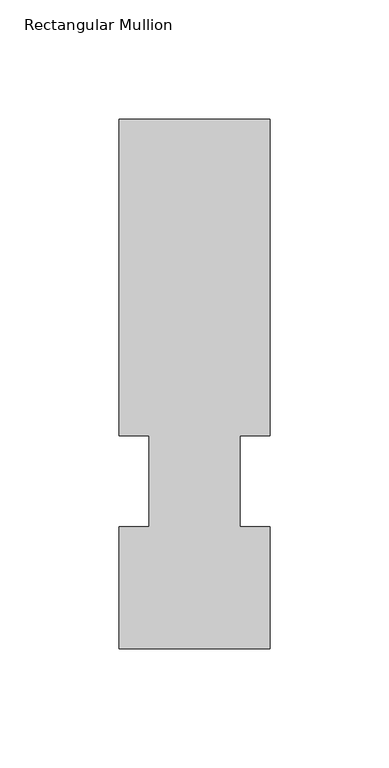
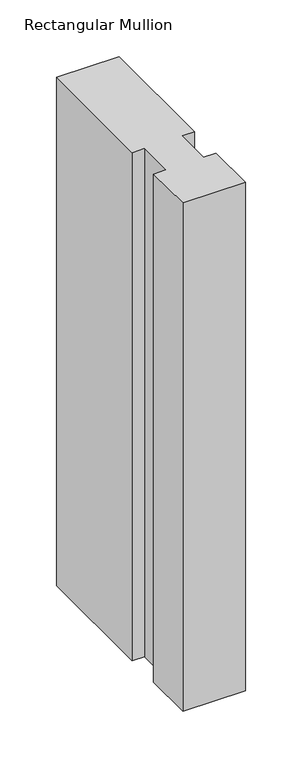
"""IFC4 building model written with IfcOpenShell, lengths in millimetres: member geometry, Rectangular Mullion."""

from ifc_helpers import new_model, si_unit, frame, origin, place, context, project, spatial, polyline, outline, extrude, source, transform, mapped, element, save


def rectangular_mullion_a45ee53f(model_context):
    return source(origin(), model_context, "Body", "SweptSolid", [
        extrude(outline(polyline([(-63.4999991, 222.5381308), (-1.2e-06, 222.5381308), (-1.2e-06, 89.594531), (-12.6873024, 89.594531), (-12.6873024, 51.4945308), (-3.3e-06, 51.4945308), (-3.3e-06, 0.211932), (-63.5000019, 0.211932), (-63.5000019, 51.4945318), (-50.8000017, 51.4945318), (-50.8000017, 89.5945312), (-63.4999991, 89.5945313), (-63.4999991, 222.5381308)])), frame((0.0, 0.0, -546.0999996), z_axis=(0.0, 0.0, 1.0), x_axis=(1.0, 0.0, 0.0)), (0.0, 0.0, 1.0), 546.0999996),
    ])


if __name__ == "__main__":
    model = new_model("IFC4")
    model_context = context("Model", 3, world=origin())
    ifc_project = project(units=[si_unit("LENGTHUNIT", "METRE", prefix="MILLI")], contexts=[model_context])
    site = spatial("IfcSite", under=ifc_project)
    building = spatial("IfcBuilding", under=site)
    placement = place(None, origin())
    rectangular_mullion_shape = rectangular_mullion_a45ee53f(model_context)
    element("IfcMember", 1, ObjectType="Rectangular Mullion", at=placement, inside=building, context=model_context, shape_type="MappedRepresentation", body=[
        mapped(rectangular_mullion_shape, transform((0.0, 0.0, 0.0), x_axis=(1.0, 0.0, 0.0), y_axis=(0.0, 1.0, 0.0), z_axis=(0.0, 0.0, 1.0))),
    ])
    save(model, "model.ifc")
